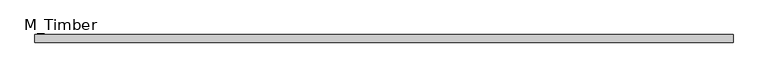
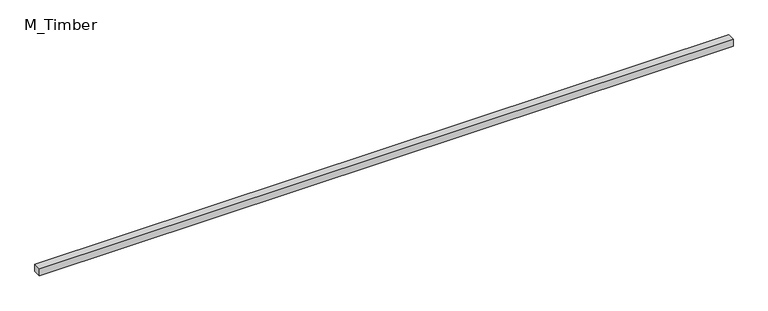
"""IFC4 building model written with IfcOpenShell, lengths in millimetres: beam geometry, M_Timber."""

from ifc_helpers import new_model, si_unit, frame, origin, place, context, project, spatial, polyline, outline, extrude, source, transform, mapped, element, save


def m_timber_8e8a5d99(model_context):
    return source(origin(), model_context, "Body", "SweptSolid", [
        extrude(outline(polyline([(1823.9250828, 20.0), (1823.9250828, -20.0), (-1823.9250828, -20.0), (-1823.9250828, 20.0), (1823.9250828, 20.0)])), frame((0.0, 0.0, -20.0), z_axis=(0.0, 0.0, 1.0), x_axis=(1.0, 0.0, 0.0)), (0.0, 0.0, 1.0), 40.0),
    ])


if __name__ == "__main__":
    model = new_model("IFC4")
    model_context = context("Model", 3, world=origin())
    ifc_project = project(units=[si_unit("LENGTHUNIT", "METRE", prefix="MILLI")], contexts=[model_context])
    site = spatial("IfcSite", under=ifc_project)
    building = spatial("IfcBuilding", under=site)
    placement = place(None, origin())
    m_timber_shape = m_timber_8e8a5d99(model_context)
    element("IfcBeam", 1, ObjectType="M_Timber", at=placement, inside=building, context=model_context, shape_type="MappedRepresentation", body=[
        mapped(m_timber_shape, transform((0.0, 0.0, 0.0), x_axis=(1.0, 0.0, 0.0), y_axis=(0.0, 1.0, 0.0), z_axis=(0.0, 0.0, 1.0))),
    ])
    save(model, "model.ifc")
